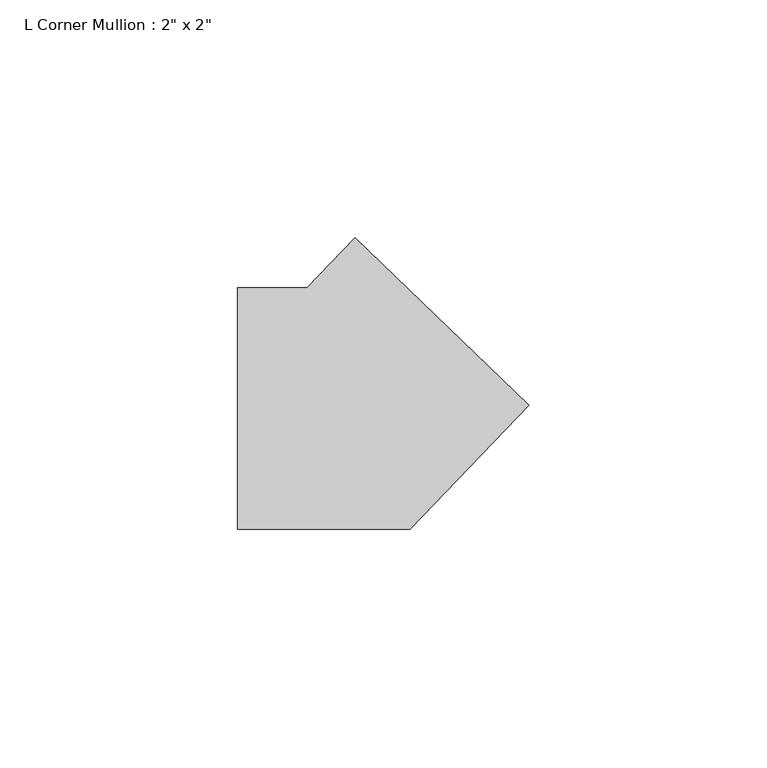
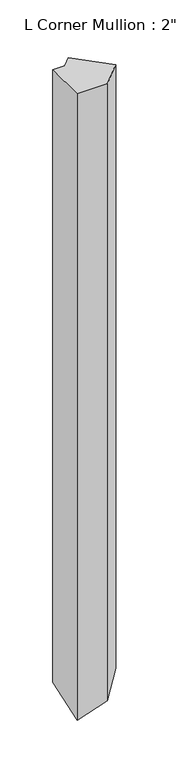
"""IFC4 building model written with IfcOpenShell, lengths in millimetres: member geometry."""

from ifc_helpers import new_model, si_unit, origin, place, context, project, spatial, faceted_brep, source, transform, mapped, element, save


def member_e218a098(model_context):
    return source(origin(), model_context, "Body", "Brep", [
        faceted_brep([(-0.7440862, 35.913317, 0.0), (35.913317, 0.7440862, 0.0), (35.913317, 0.7440862, -769.8800753), (-0.7440862, 35.913317, -769.8800753), (-10.8305964, 25.4, 0.0), (-10.8305964, 25.4, -776.7107505), (-25.4, 25.4, 0.0), (-25.4, 25.4, -781.4396794), (-25.4, -25.4, 0.0), (-25.4, -25.4, -798.6260255), (10.8305964, -25.4, 0.0), (10.8305964, -25.4, -786.8663186)], [[[0, 1, 2, 3]], [[4, 0, 3, 5]], [[6, 4, 5, 7]], [[8, 6, 7, 9]], [[10, 8, 9, 11]], [[1, 10, 11, 2]], [[1, 0, 4, 6, 8, 10]], [[2, 11, 9, 7, 5, 3]]]),
    ])


if __name__ == "__main__":
    model = new_model("IFC4")
    model_context = context("Model", 3, world=origin())
    ifc_project = project(units=[si_unit("LENGTHUNIT", "METRE", prefix="MILLI")], contexts=[model_context])
    site = spatial("IfcSite", under=ifc_project)
    building = spatial("IfcBuilding", under=site)
    placement = place(None, origin())
    member_shape = member_e218a098(model_context)
    element("IfcMember", 1, ObjectType="L Corner Mullion : 2\" x 2\"", at=placement, inside=building, context=model_context, shape_type="MappedRepresentation", body=[
        mapped(member_shape, transform((0.0, 0.0, 0.0), x_axis=(1.0, 0.0, 0.0), y_axis=(0.0, 1.0, 0.0), z_axis=(0.0, 0.0, 1.0))),
    ])
    save(model, "model.ifc")
